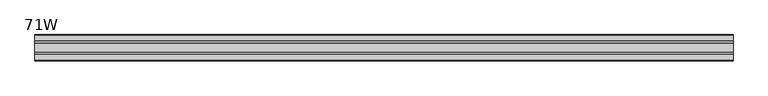
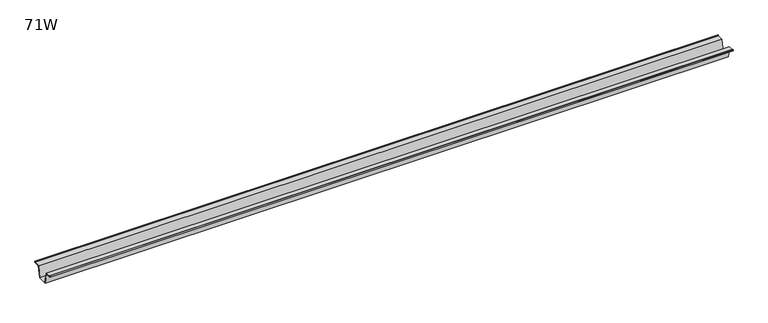
"""IFC4 building model written with IfcOpenShell, lengths in millimetres: furniture geometry, 71W."""

from ifc_helpers import new_model, si_unit, frame, origin, place, context, project, spatial, polyline, outline, extrude, source, transform, mapped, element, save


def furniture_71w_147ca92c(model_context):
    return source(origin(), model_context, "Body", "SweptSolid", [
        extrude(outline(polyline([(-22.9397721, 701.675), (-28.502372, 671.4490007), (-53.9023728, 671.4490007), (-59.4649727, 701.675), (-75.3653716, 701.675), (-75.3653716, 704.85), (-74.5716216, 704.85), (-74.5716216, 702.46875), (-58.8172994, 702.46875), (-53.2546995, 672.2427507), (-29.1500453, 672.2427507), (-23.5874454, 702.46875), (-7.8331232, 702.46875), (-7.8331232, 704.85), (-7.0393732, 704.85), (-7.0393732, 701.675), (-22.9397721, 701.675)])), frame((-908.05, 0.0, 0.0), z_axis=(1.0, 0.0, 0.0), x_axis=(0.0, 1.0, 0.0)), (0.0, 0.0, 1.0), 1816.1),
    ])


if __name__ == "__main__":
    model = new_model("IFC4")
    model_context = context("Model", 3, world=origin())
    ifc_project = project(units=[si_unit("LENGTHUNIT", "METRE", prefix="MILLI")], contexts=[model_context])
    site = spatial("IfcSite", under=ifc_project)
    building = spatial("IfcBuilding", under=site)
    placement = place(None, origin())
    furniture_71w_shape = furniture_71w_147ca92c(model_context)
    element("IfcFurniture", 1, ObjectType="71W", at=placement, inside=building, context=model_context, shape_type="MappedRepresentation", body=[
        mapped(furniture_71w_shape, transform((0.0, 0.0, 0.0), x_axis=(1.0, 0.0, 0.0), y_axis=(0.0, 1.0, 0.0), z_axis=(0.0, 0.0, 1.0))),
    ])
    save(model, "model.ifc")
